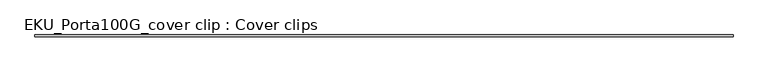
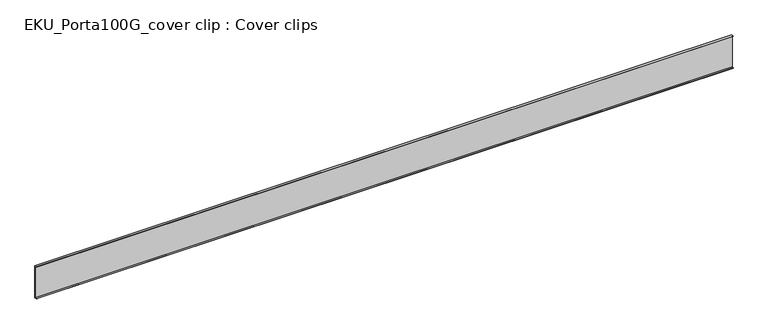
"""IFC4 building model written with IfcOpenShell, lengths in millimetres: proxy geometry, EKU_Porta100G_cover clip : Cover clips."""

from ifc_helpers import new_model, si_unit, frame, origin, place, context, project, spatial, polyline, outline, extrude, source, transform, mapped, element, save


def eku_porta100g_cover_clip_cover_clips_7415ea4a(model_context):
    return source(origin(), model_context, "Body", "SweptSolid", [
        extrude(outline(polyline([(5.5, 41.0), (5.5, -54.0), (0.0, -54.0), (0.0, -52.9871983), (4.5160371, -52.9871983), (4.5160371, 40.0), (0.0, 40.0), (0.0, 41.0), (5.5, 41.0)])), frame((0.0, 0.0, 0.0), z_axis=(1.0, 0.0, 0.0), x_axis=(0.0, 1.0, 0.0)), (0.0, 0.0, 1.0), 1950.0),
    ])


if __name__ == "__main__":
    model = new_model("IFC4")
    model_context = context("Model", 3, world=origin())
    ifc_project = project(units=[si_unit("LENGTHUNIT", "METRE", prefix="MILLI")], contexts=[model_context])
    site = spatial("IfcSite", under=ifc_project)
    building = spatial("IfcBuilding", under=site)
    placement = place(None, origin())
    eku_porta100g_cover_clip_cover_clips_shape = eku_porta100g_cover_clip_cover_clips_7415ea4a(model_context)
    element("IfcBuildingElementProxy", 1, Name="EKU_Porta100G_cover clip : Cover clips", ObjectType="EKU_Porta100G_cover clip : Cover clips", at=placement, inside=building, context=model_context, shape_type="MappedRepresentation", body=[
        mapped(eku_porta100g_cover_clip_cover_clips_shape, transform((0.0, 0.0, 0.0), x_axis=(1.0, 0.0, 0.0), y_axis=(0.0, 1.0, 0.0), z_axis=(0.0, 0.0, 1.0))),
    ])
    save(model, "model.ifc")
